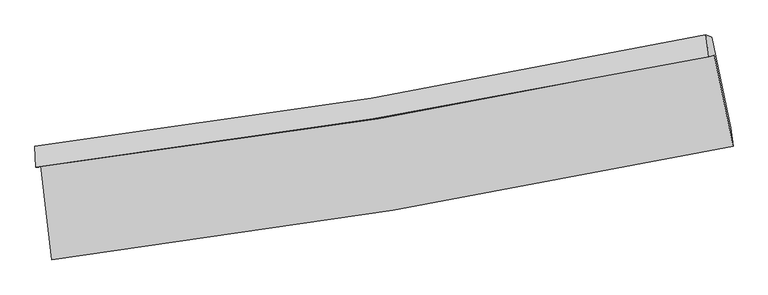
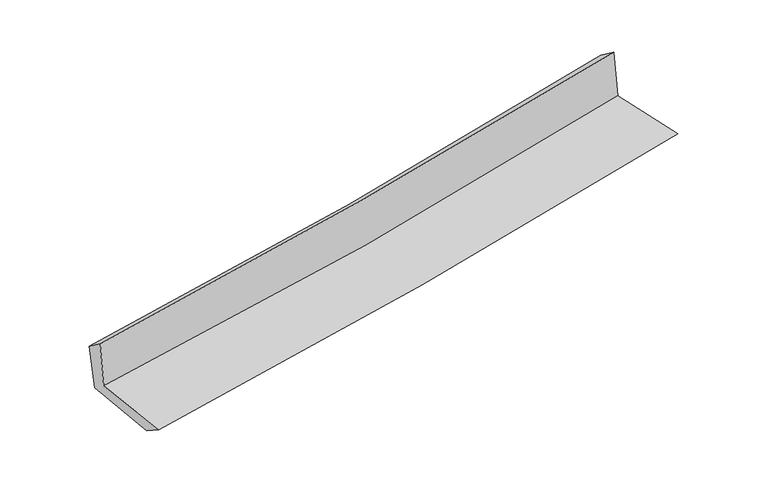
"""IFC4 building model written with IfcOpenShell, lengths in millimetres: proxy geometry."""

from ifc_helpers import new_model, si_unit, frame, origin, place, context, project, spatial, source, transform, mapped, element, save
from ifc_brep_helpers import plane_surface, spline_curve, spline_surface, advanced_brep


def generic_models_1dcda8c7(model_context):
    return source(origin(), model_context, "Body", "AdvancedBrep", [
        advanced_brep(
        [(-2434.1166989, -1876.8009491, 1666.4587477), (-2355.3361164, -2548.0691804, 1653.5108632), (2518.0789838, -1736.3454591, 2108.4184742), (2382.9090564, -1084.0912211, 2101.4722498), (-2470.0822372, -1888.3737965, 2062.4407621), (2345.619301, -1096.0901698, 2512.0339474), (-2477.1962917, -1735.6505722, 1950.6379944), (2324.1436936, -940.2620756, 2398.7543422), (-2439.6624923, -1752.9859546, 1573.4653984), (2365.6443441, -957.1190717, 2006.7541413), (-2364.3323, -2384.9852664, 1548.9797935), (2501.5175977, -1604.805215, 1996.626174)],
        [
            (0, 1),
            (1, 2, spline_curve(3, [(-2355.3361164, -2548.0691804, 1653.5108632), (-1539.545373298, -2447.235969218, 1730.18903493), (-726.334952432, -2329.344312775, 1806.362669752), (898.15736507, -2058.906039822, 1958.002571608), (1709.418644197, -1906.223122795, 2033.464806839), (2518.0789838, -1736.3454591, 2108.4184742)], [4, 2, 4], [0.0, 8.075823298593352, 16.18384627783878])),
            (2, 3),
            (3, 0, spline_curve(3, [(2382.9090564, -1084.0912211, 2101.4722498), (1585.591538516, -1256.722948311, 2024.943772758), (784.708215902, -1409.189346725, 1950.360144822), (-820.995301808, -1673.266073922, 1805.371060948), (-1625.787230749, -1785.036251646, 1734.950187889), (-2434.1166989, -1876.8009491, 1666.4587477)], [4, 2, 4], [0.0, 8.108022979245426, 16.18384627783878])),
            (4, 0),
            (3, 5),
            (5, 4, spline_curve(3, [(2345.619301, -1096.0901698, 2512.0339474), (1546.483700627, -1258.902386112, 2438.094066082), (744.803936305, -1406.433147824, 2363.582347882), (-860.450077154, -1670.406555589, 2213.713419916), (-1664.004158863, -1786.970335971, 2138.360743004), (-2470.0822372, -1888.3737965, 2062.4407621)], [4, 2, 4], [0.0, 8.058197614050545, 16.084393420697744])),
            (6, 4),
            (5, 7),
            (7, 6, spline_curve(3, [(2324.1436936, -940.2620756, 2398.7543422), (1528.440478643, -1108.518282264, 2324.922982183), (729.675055707, -1259.025393181, 2250.588976429), (-870.795879657, -1524.014196982, 2101.21287623), (-1672.47711855, -1638.636584868, 2026.174765665), (-2477.1962917, -1735.6505722, 1950.6379944)], [4, 2, 4], [0.0, 8.046538588661045, 16.061121671821834])),
            (8, 6),
            (7, 9),
            (9, 8, spline_curve(3, [(2365.6443441, -957.1190717, 2006.7541413), (1569.389363082, -1125.313302159, 1933.64507494), (770.016718393, -1275.829510894, 1860.912053189), (-831.776940627, -1540.978340079, 1716.485453053), (-1634.173241098, -1655.751092113, 1644.788893658), (-2439.6624923, -1752.9859546, 1573.4653984)], [4, 2, 4], [0.0, 8.03770472584983, 16.04348902843365])),
            (10, 8),
            (9, 11),
            (11, 10, spline_curve(3, [(2501.5175977, -1604.805215, 1996.626174), (1693.152062252, -1766.142677219, 1924.251182732), (882.670836675, -1911.924880388, 1850.683232803), (-739.29590018, -2171.86159231, 1701.458316058), (-1550.764640219, -2286.139406508, 1625.810806057), (-2364.3323, -2384.9852664, 1548.9797935)], [4, 2, 4], [0.0, 8.087461847801936, 16.14280567010596])),
            (1, 10),
            (11, 2),
        ],
        [
            spline_surface(3, 3, [[(-2434.1166989, -1876.8009491, 1666.4587477), (-1625.787230841, -1785.036251664, 1734.950187932), (-820.995301725, -1673.266074044, 1805.371060853), (784.708215818, -1409.189346602, 1950.360144917), (1585.591538471, -1256.722948186, 2024.943772718), (2382.9090564, -1084.0912211, 2101.4722498)], [(-2407.856504758, -2100.557026196, 1662.142786195), (-1597.039945016, -2005.769490838, 1733.363136917), (-789.441851944, -1891.958820237, 1805.70159717), (822.524598904, -1625.761577699, 1952.907620446), (1626.867240371, -1473.223006337, 2027.784117461), (2427.965698849, -1301.509300416, 2103.787657935)], [(-2381.596310542, -2324.313103304, 1657.826824705), (-1568.292659116, -2226.502730024, 1731.776085918), (-757.888402192, -2110.651566471, 1806.032133514), (860.340981962, -1842.333808837, 1955.455096001), (1668.142942325, -1689.72306454, 2030.6244622), (2473.022341351, -1518.927379784, 2106.103066065)], [(-2355.3361164, -2548.0691804, 1653.5108632), (-1539.545373291, -2447.235969198, 1730.189034903), (-726.334952411, -2329.344312664, 1806.362669831), (898.157365049, -2058.906039934, 1958.002571529), (1709.418644224, -1906.223122691, 2033.464806943), (2518.0789838, -1736.3454591, 2108.4184742)]], [4, 4], [4, 2, 4], [0.0, 2.1691104796099596], [0.0, 8.075823298593352, 16.18384627783878]),
            spline_surface(3, 3, [[(-2470.0822372, -1888.3737965, 2062.4407621), (-1664.004158853, -1786.970336058, 2138.360742966), (-860.450077123, -1670.406555535, 2213.7134199), (744.803936274, -1406.433147878, 2363.582347898), (1546.483700615, -1258.902386134, 2438.094066055), (2345.619301, -1096.0901698, 2512.0339474)], [(-2458.09372443, -1884.516180697, 1930.446757306), (-1651.265182846, -1786.325641257, 2003.890557961), (-847.298485346, -1671.359728384, 2077.599300214), (758.105362766, -1407.351880799, 2225.841613567), (1559.519646572, -1258.175906816, 2300.3773016), (2358.049219471, -1092.090520232, 2375.180048191)], [(-2446.10521167, -1880.658564903, 1798.452752494), (-1638.526206848, -1785.680946465, 1869.420372938), (-834.146893501, -1672.312901195, 1941.485180539), (771.406789326, -1408.270613681, 2088.100879248), (1572.555592514, -1257.449427503, 2162.660537173), (2370.479137929, -1088.090870668, 2238.326149009)], [(-2434.1166989, -1876.8009491, 1666.4587477), (-1625.787230841, -1785.036251664, 1734.950187932), (-820.995301725, -1673.266074044, 1805.371060853), (784.708215818, -1409.189346602, 1950.360144917), (1585.591538471, -1256.722948186, 2024.943772718), (2382.9090564, -1084.0912211, 2101.4722498)]], [4, 4], [4, 2, 4], [0.0, 1.35404699174715], [0.0, 8.026195806647198, 16.084393420697744]),
            spline_surface(3, 3, [[(-2477.1962917, -1735.6505722, 1950.6379944), (-1672.477118586, -1638.636584823, 2026.174765781), (-870.795879779, -1524.014196856, 2101.212876162), (729.67505583, -1259.025393306, 2250.588976497), (1528.440478739, -1108.518282381, 2324.922982084), (2324.1436936, -940.2620756, 2398.7543422)], [(-2474.824940179, -1786.558313635, 1987.905583635), (-1669.652798654, -1688.08116857, 2063.570091511), (-867.347278868, -1572.811649729, 2138.7130574), (734.718016004, -1308.161311477, 2288.253433623), (1534.454886023, -1158.646316971, 2362.646676765), (2331.302229392, -992.204773673, 2436.514210624)], [(-2472.453588721, -1837.466055065, 2025.173172865), (-1666.828478785, -1737.525752311, 2100.965417236), (-863.898678034, -1621.609102662, 2176.213238662), (739.760976101, -1357.297229708, 2325.917890772), (1540.469293331, -1208.774351543, 2400.370371375), (2338.460765208, -1044.147471727, 2474.274078976)], [(-2470.0822372, -1888.3737965, 2062.4407621), (-1664.004158853, -1786.970336058, 2138.360742966), (-860.450077123, -1670.406555535, 2213.7134199), (744.803936274, -1406.433147878, 2363.582347898), (1546.483700615, -1258.902386134, 2438.094066055), (2345.619301, -1096.0901698, 2512.0339474)]], [4, 4], [4, 2, 4], [0.0, 0.6089897156609952], [0.0, 8.014583083160788, 16.061121671821834]),
            spline_surface(3, 3, [[(-2439.6624923, -1752.9859546, 1573.4653984), (-1634.173241206, -1655.751092183, 1644.788893774), (-831.776940558, -1540.978340025, 1716.485453079), (770.016718323, -1275.829510948, 1860.912053162), (1569.38936313, -1125.313302173, 1933.645074854), (2365.6443441, -957.1190717, 2006.7541413)], [(-2452.173758769, -1747.207493781, 1699.189597067), (-1646.941200335, -1650.046256378, 1771.917517777), (-844.783253646, -1535.323625654, 1844.727927469), (756.569497478, -1270.228138419, 1990.804360969), (1555.739735018, -1119.714962253, 2064.071043928), (2351.810793951, -951.50007301, 2137.420874931)], [(-2464.685025231, -1741.429033019, 1824.913795733), (-1659.709159457, -1644.341420629, 1899.046141778), (-857.789566691, -1529.668911228, 1972.970401772), (743.122276676, -1264.626765835, 2120.69666869), (1542.090106851, -1114.116622301, 2194.49701301), (2337.977243749, -945.88107429, 2268.087608569)], [(-2477.1962917, -1735.6505722, 1950.6379944), (-1672.477118586, -1638.636584823, 2026.174765781), (-870.795879779, -1524.014196856, 2101.212876162), (729.67505583, -1259.025393306, 2250.588976497), (1528.440478739, -1108.518282381, 2324.922982084), (2324.1436936, -940.2620756, 2398.7543422)]], [4, 4], [4, 2, 4], [0.0, 1.2782353463512475], [0.0, 8.005784302583821, 16.04348902843365]),
            spline_surface(3, 3, [[(-2364.3323, -2384.9852664, 1548.9797935), (-1550.764640334, -2286.139406617, 1625.810805928), (-739.295900139, -2171.861592422, 1701.458316108), (882.670836634, -1911.924880276, 1850.683232753), (1693.152062323, -1766.142677328, 1924.251182711), (2501.5175977, -1604.805215, 1996.626174)], [(-2389.442364099, -2174.318829154, 1557.141661807), (-1578.56750729, -2076.009968494, 1632.136835217), (-770.12291362, -1961.567174958, 1706.467361744), (845.119463855, -1699.893090502, 1854.092839534), (1651.897829257, -1552.532885608, 1927.38248007), (2456.226513166, -1388.909833899, 2000.002163078)], [(-2414.552428201, -1963.652391846, 1565.303530093), (-1606.37037425, -1865.880530307, 1638.462864485), (-800.949927076, -1751.272757488, 1711.476407444), (807.568091102, -1487.861300722, 1857.502446381), (1610.643596195, -1338.923093893, 1930.513777495), (2410.935428634, -1173.014452801, 2003.378152222)], [(-2439.6624923, -1752.9859546, 1573.4653984), (-1634.173241206, -1655.751092183, 1644.788893774), (-831.776940558, -1540.978340025, 1716.485453079), (770.016718323, -1275.829510948, 1860.912053162), (1569.38936313, -1125.313302173, 1933.645074854), (2365.6443441, -957.1190717, 2006.7541413)]], [4, 4], [4, 2, 4], [0.0, 2.105904270646944], [0.0, 8.055343822304025, 16.14280567010596]),
            spline_surface(3, 3, [[(-2355.3361164, -2548.0691804, 1653.5108632), (-1539.545373291, -2447.235969198, 1730.189034903), (-726.334952411, -2329.344312664, 1806.362669831), (898.157365049, -2058.906039934, 1958.002571529), (1709.418644224, -1906.223122691, 2033.464806943), (2518.0789838, -1736.3454591, 2108.4184742)], [(-2358.334844265, -2493.707875736, 1618.667173291), (-1543.285128971, -2393.537115007, 1695.396291902), (-730.655268309, -2276.850072584, 1771.394551938), (892.995188921, -2009.912320048, 1922.229458618), (1703.996450261, -1859.529640907, 1997.060265541), (2512.558521771, -1692.49871107, 2071.154374142)], [(-2361.333572135, -2439.346571064, 1583.823483409), (-1547.024884655, -2339.838260808, 1660.603548929), (-734.97558424, -2224.355832502, 1736.426434002), (887.833012762, -1960.918600161, 1886.456345664), (1698.574256285, -1812.836159112, 1960.655724113), (2507.038059729, -1648.65196303, 2033.890274058)], [(-2364.3323, -2384.9852664, 1548.9797935), (-1550.764640334, -2286.139406617, 1625.810805928), (-739.295900139, -2171.861592422, 1701.458316108), (882.670836634, -1911.924880276, 1850.683232753), (1693.152062323, -1766.142677328, 1924.251182711), (2501.5175977, -1604.805215, 1996.626174)]], [4, 4], [4, 2, 4], [0.0, 0.6105483449113325], [0.0, 8.113748847103063, 16.25984859046872]),
            plane_surface(frame((2406.3188294, -1236.452202, 2187.3432215), z_axis=(0.974616601634907, 0.20298058486863438, 0.09445296175352241), x_axis=(-0.1051844586812894, 0.04272448714467456, 0.9935345227268898))),
            plane_surface(frame((-2423.4543561, -2031.1442865, 1742.5822599), z_axis=(-0.989069573450213, -0.1142808129431657, -0.0931733581452505), x_axis=(-0.11653944218282919, 0.9930013566898112, 0.019153694889224294))),
        ],
        [
            (0, [[1, 2, 3, 4]]),
            (1, [[5, -4, 6, 7]]),
            (2, [[8, -7, 9, 10]]),
            (3, [[11, -10, 12, 13]]),
            (4, [[14, -13, 15, 16]]),
            (5, [[17, -16, 18, -2]]),
            (6, [[-12, -9, -6, -3, -18, -15]]),
            (7, [[-1, -5, -8, -11, -14, -17]]),
        ],
    ),
    ])


if __name__ == "__main__":
    model = new_model("IFC4")
    model_context = context("Model", 3, world=origin())
    ifc_project = project(units=[si_unit("LENGTHUNIT", "METRE", prefix="MILLI")], contexts=[model_context])
    site = spatial("IfcSite", under=ifc_project)
    building = spatial("IfcBuilding", under=site)
    placement = place(None, origin())
    generic_models_shape = generic_models_1dcda8c7(model_context)
    element("IfcBuildingElementProxy", 1, Name="Generic Models", at=placement, inside=building, context=model_context, shape_type="MappedRepresentation", body=[
        mapped(generic_models_shape, transform((0.0, 0.0, 0.0), x_axis=(1.0, 0.0, 0.0), y_axis=(0.0, 1.0, 0.0), z_axis=(0.0, 0.0, 1.0))),
    ])
    save(model, "model.ifc")
